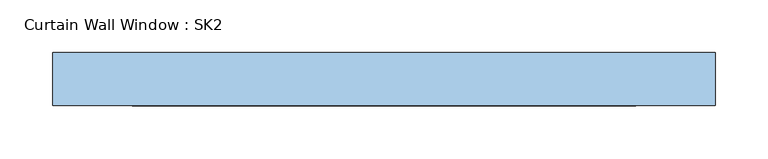
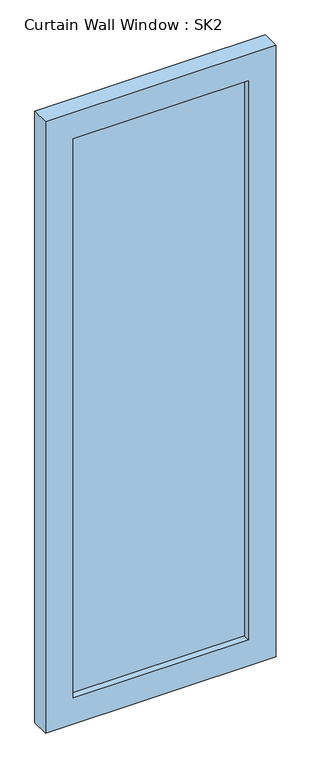
"""IFC4 building model written with IfcOpenShell, lengths in millimetres: window geometry, Curtain Wall Window : SK2."""

from ifc_helpers import new_model, si_unit, frame, origin, place, context, project, spatial, polyline, outline, extrude, source, transform, mapped, element, save


def curtain_wall_window_sk2_e2799ab3(model_context):
    return source(origin(), model_context, "Body", "SweptSolid", [
        extrude(outline(polyline([(237.5, -44.05), (237.5, -56.75), (-237.5, -56.75), (-237.5, -44.05), (237.5, -44.05)])), frame((0.0, 0.0, 75.0), z_axis=(0.0, 0.0, 1.0), x_axis=(1.0, 0.0, 0.0)), (0.0, 0.0, 1.0), 1600.0),
        extrude(outline(polyline([(1750.0, -312.5), (0.0, -312.5), (0.0, 312.5), (1750.0, 312.5), (1750.0, -312.5)]), holes=[polyline([(1675.0, -237.5), (1675.0, 237.5), (75.0, 237.5), (75.0, -237.5), (1675.0, -237.5)])]), frame((0.0, -75.0, 0.0), z_axis=(0.0, 1.0, 0.0), x_axis=(0.0, 0.0, 1.0)), (0.0, 0.0, 1.0), 50.0),
    ])


if __name__ == "__main__":
    model = new_model("IFC4")
    model_context = context("Model", 3, world=origin())
    ifc_project = project(units=[si_unit("LENGTHUNIT", "METRE", prefix="MILLI")], contexts=[model_context])
    site = spatial("IfcSite", under=ifc_project)
    building = spatial("IfcBuilding", under=site)
    placement = place(None, origin())
    curtain_wall_window_sk2_shape = curtain_wall_window_sk2_e2799ab3(model_context)
    element("IfcWindow", 1, ObjectType="Curtain Wall Window : SK2", at=placement, inside=building, context=model_context, shape_type="MappedRepresentation", body=[
        mapped(curtain_wall_window_sk2_shape, transform((0.0, 0.0, 0.0), x_axis=(1.0, 0.0, 0.0), y_axis=(0.0, 1.0, 0.0), z_axis=(0.0, 0.0, 1.0))),
    ])
    save(model, "model.ifc")
